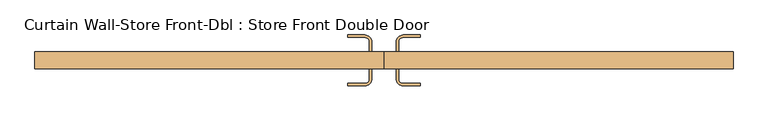
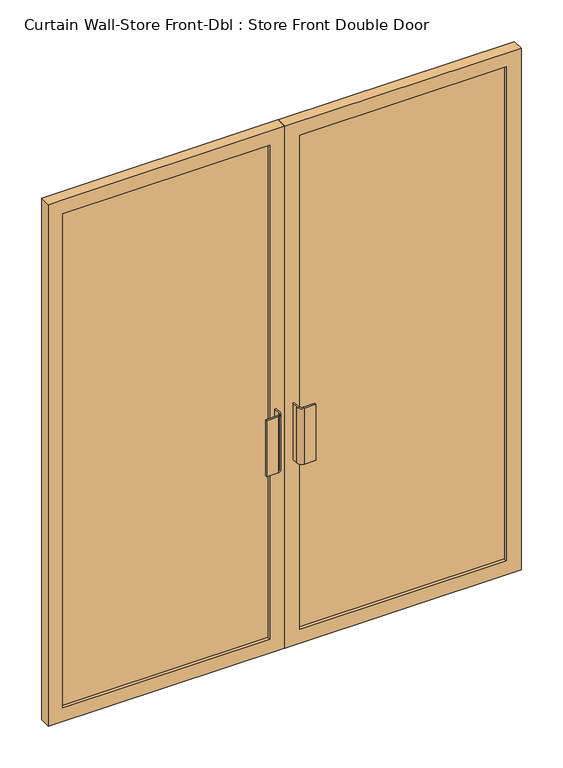
"""IFC4 building model written with IfcOpenShell, lengths in millimetres: door geometry, Curtain Wall-Store Front-Dbl : Store Front Double Door."""

from ifc_helpers import new_model, si_unit, point, frame, frame_2d, origin, place, context, project, spatial, polyline, circle_curve, trimmed, segment, composite_curve, outline, extrude, source, transform, mapped, element, save


def curtain_wall_store_front_dbl_store_front_double_door_f3f6bdeb(model_context):
    return source(origin(), model_context, "Body", "SweptSolid", [
        extrude(outline(composite_curve([segment(trimmed(circle_curve(frame_2d((-50.8, -12.7)), 19.05), [point((-31.75, -12.7))], [point((-50.8, -31.75))], False, "CARTESIAN"), True, "CONTINUOUS"), segment(polyline([(-50.8, -31.75), (-95.25, -31.75), (-95.25, -25.4), (-50.8, -25.4)]), True, "CONTINUOUS"), segment(trimmed(circle_curve(frame_2d((-50.8, -12.7)), 12.7), [point((-50.8, -25.4))], [point((-38.1, -12.7))], True, "CARTESIAN"), True, "CONTINUOUS"), segment(polyline([(-38.1, -12.7), (-38.1, 12.7), (-31.75, 12.7), (-31.75, -12.7)]), True, "CONTINUOUS")], self_intersect=False)), frame((0.0, 0.0, 762.0), z_axis=(0.0, 0.0, 1.0), x_axis=(1.0, 0.0, 0.0)), (0.0, 0.0, 1.0), 228.6),
        extrude(outline(composite_curve([segment(polyline([(31.75, -12.7), (31.75, 12.7), (38.1, 12.7), (38.1, -12.7)]), True, "CONTINUOUS"), segment(trimmed(circle_curve(frame_2d((50.8, -12.7)), 12.7), [point((38.1, -12.7))], [point((50.8, -25.4))], True, "CARTESIAN"), True, "CONTINUOUS"), segment(polyline([(50.8, -25.4), (95.25, -25.4), (95.25, -31.75), (50.8, -31.75)]), True, "CONTINUOUS"), segment(trimmed(circle_curve(frame_2d((50.8, -12.7)), 19.05), [point((50.8, -31.75))], [point((31.75, -12.7))], False, "CARTESIAN"), True, "CONTINUOUS")], self_intersect=False)), frame((0.0, 0.0, 762.0), z_axis=(0.0, 0.0, 1.0), x_axis=(1.0, 0.0, 0.0)), (0.0, 0.0, 1.0), 228.6),
        extrude(outline(composite_curve([segment(polyline([(-31.75, 82.55), (-31.75, 57.15), (-38.1, 57.15), (-38.1, 82.55)]), True, "CONTINUOUS"), segment(trimmed(circle_curve(frame_2d((-50.8, 82.55)), 12.7), [point((-38.1, 82.55))], [point((-50.8, 95.25))], True, "CARTESIAN"), True, "CONTINUOUS"), segment(polyline([(-50.8, 95.25), (-95.25, 95.25), (-95.25, 101.6), (-50.8, 101.6)]), True, "CONTINUOUS"), segment(trimmed(circle_curve(frame_2d((-50.8, 82.55)), 19.05), [point((-50.8, 101.6))], [point((-31.75, 82.55))], False, "CARTESIAN"), True, "CONTINUOUS")], self_intersect=False)), frame((0.0, 0.0, 762.0), z_axis=(0.0, 0.0, 1.0), x_axis=(1.0, 0.0, 0.0)), (0.0, 0.0, 1.0), 228.6),
        extrude(outline(composite_curve([segment(trimmed(circle_curve(frame_2d((50.8, 82.55)), 19.05), [point((31.75, 82.55))], [point((50.8, 101.6))], False, "CARTESIAN"), True, "CONTINUOUS"), segment(polyline([(50.8, 101.6), (95.25, 101.6), (95.25, 95.25), (50.8, 95.25)]), True, "CONTINUOUS"), segment(trimmed(circle_curve(frame_2d((50.8, 82.55)), 12.7), [point((50.8, 95.25))], [point((38.1, 82.55))], True, "CARTESIAN"), True, "CONTINUOUS"), segment(polyline([(38.1, 82.55), (38.1, 57.15), (31.75, 57.15), (31.75, 82.55)]), True, "CONTINUOUS")], self_intersect=False)), frame((0.0, 0.0, 762.0), z_axis=(0.0, 0.0, 1.0), x_axis=(1.0, 0.0, 0.0)), (0.0, 0.0, 1.0), 228.6),
        extrude(outline(polyline([(857.2359975, 25.4), (57.94375, 25.4), (57.94375, 44.45), (857.2359975, 44.45), (857.2359975, 25.4)])), frame((0.0, 0.0, 57.15), z_axis=(0.0, 0.0, 1.0), x_axis=(1.0, 0.0, 0.0)), (0.0, 0.0, 1.0), 2019.3),
        extrude(outline(polyline([(-57.94375, 25.4), (-857.2359975, 25.4), (-857.2359975, 44.45), (-57.94375, 44.45), (-57.94375, 25.4)])), frame((0.0, 0.0, 57.15), z_axis=(0.0, 0.0, 1.0), x_axis=(1.0, 0.0, 0.0)), (0.0, 0.0, 1.0), 2019.3),
        extrude(outline(polyline([(2133.6, 0.79375), (0.0, 0.79375), (0.0, 914.3859975), (2133.6, 914.3859975), (2133.6, 0.79375)]), holes=[polyline([(2076.45, 57.94375), (2076.45, 857.2359975), (57.15, 857.2359975), (57.15, 57.94375), (2076.45, 57.94375)])]), frame((0.0, 12.7, 0.0), z_axis=(0.0, 1.0, 0.0), x_axis=(0.0, 0.0, 1.0)), (0.0, 0.0, 1.0), 44.45),
        extrude(outline(polyline([(2133.6, -0.79375), (2133.6, -914.3859975), (0.0, -914.3859975), (0.0, -0.79375), (2133.6, -0.79375)]), holes=[polyline([(2076.45, -857.2359975), (2076.45, -57.94375), (57.15, -57.94375), (57.15, -857.2359975), (2076.45, -857.2359975)])]), frame((0.0, 12.7, 0.0), z_axis=(0.0, 1.0, 0.0), x_axis=(0.0, 0.0, 1.0)), (0.0, 0.0, 1.0), 44.45),
    ])


if __name__ == "__main__":
    model = new_model("IFC4")
    model_context = context("Model", 3, world=origin())
    ifc_project = project(units=[si_unit("LENGTHUNIT", "METRE", prefix="MILLI")], contexts=[model_context])
    site = spatial("IfcSite", under=ifc_project)
    building = spatial("IfcBuilding", under=site)
    placement = place(None, origin())
    curtain_wall_store_front_dbl_store_front_double_door_shape = curtain_wall_store_front_dbl_store_front_double_door_f3f6bdeb(model_context)
    element("IfcDoor", 1, ObjectType="Curtain Wall-Store Front-Dbl : Store Front Double Door", at=placement, inside=building, context=model_context, shape_type="MappedRepresentation", body=[
        mapped(curtain_wall_store_front_dbl_store_front_double_door_shape, transform((0.0, 0.0, 0.0), x_axis=(1.0, 0.0, 0.0), y_axis=(0.0, 1.0, 0.0), z_axis=(0.0, 0.0, 1.0))),
    ])
    save(model, "model.ifc")
